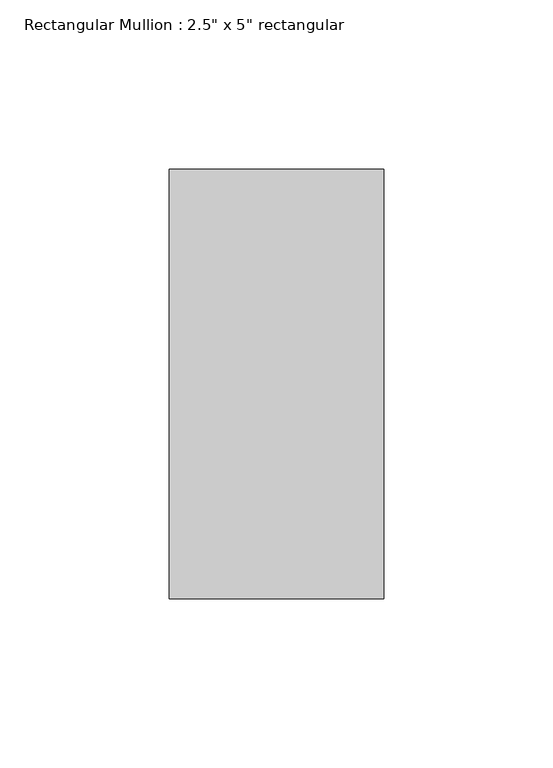
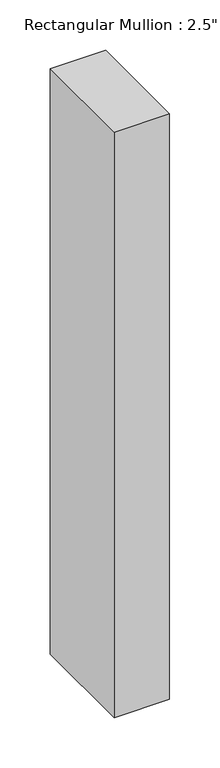
"""IFC4 building model written with IfcOpenShell, lengths in millimetres: member geometry."""

from ifc_helpers import new_model, si_unit, frame, origin, place, context, project, spatial, polyline, outline, extrude, source, transform, mapped, element, save


def member_ae70dd35(model_context):
    return source(origin(), model_context, "Body", "SweptSolid", [
        extrude(outline(polyline([(0.0, 63.5), (0.0, -63.5), (-63.5, -63.5), (-63.5, 63.5), (0.0, 63.5)])), frame((0.0, 0.0, -711.2), z_axis=(0.0, 0.0, 1.0), x_axis=(1.0, 0.0, 0.0)), (0.0, 0.0, 1.0), 711.2),
    ])


if __name__ == "__main__":
    model = new_model("IFC4")
    model_context = context("Model", 3, world=origin())
    ifc_project = project(units=[si_unit("LENGTHUNIT", "METRE", prefix="MILLI")], contexts=[model_context])
    site = spatial("IfcSite", under=ifc_project)
    building = spatial("IfcBuilding", under=site)
    placement = place(None, origin())
    member_shape = member_ae70dd35(model_context)
    element("IfcMember", 1, ObjectType="Rectangular Mullion : 2.5\" x 5\" rectangular", at=placement, inside=building, context=model_context, shape_type="MappedRepresentation", body=[
        mapped(member_shape, transform((0.0, 0.0, 0.0), x_axis=(1.0, 0.0, 0.0), y_axis=(0.0, 1.0, 0.0), z_axis=(0.0, 0.0, 1.0))),
    ])
    save(model, "model.ifc")
